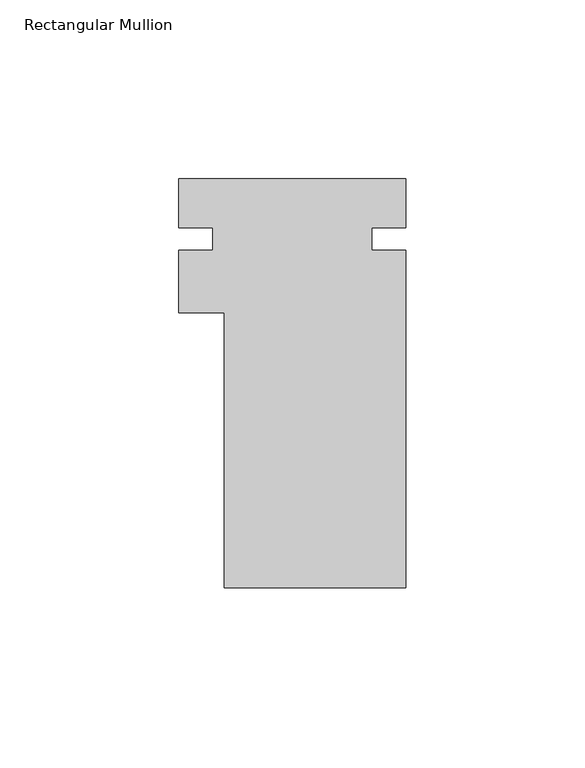
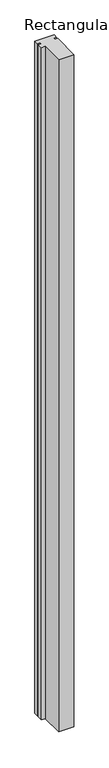
"""IFC4 building model written with IfcOpenShell, lengths in millimetres: member geometry, Rectangular Mullion."""

from ifc_helpers import new_model, si_unit, frame, origin, place, context, project, spatial, polyline, outline, extrude, source, transform, mapped, element, save


def rectangular_mullion_bd302154(model_context):
    return source(origin(), model_context, "Body", "SweptSolid", [
        extrude(outline(polyline([(25.4, -39.773225), (-25.4, -39.773225), (-25.4, 37.061775), (-38.0999959, 37.061775), (-38.0999959, 54.524275), (-28.5749959, 54.524275), (-28.5749959, 60.874275), (-38.0999959, 60.874275), (-38.0999959, 74.526775), (25.4, 74.526775), (25.4, 60.874275), (15.875, 60.874275), (15.875, 54.524275), (25.4, 54.524275), (25.4, -39.773225)])), frame((0.0, 0.0, -2359.1444043), z_axis=(0.0, 0.0, 1.0), x_axis=(1.0, 0.0, 0.0)), (0.0, 0.0, 1.0), 2359.1444043),
    ])


if __name__ == "__main__":
    model = new_model("IFC4")
    model_context = context("Model", 3, world=origin())
    ifc_project = project(units=[si_unit("LENGTHUNIT", "METRE", prefix="MILLI")], contexts=[model_context])
    site = spatial("IfcSite", under=ifc_project)
    building = spatial("IfcBuilding", under=site)
    placement = place(None, origin())
    rectangular_mullion_shape = rectangular_mullion_bd302154(model_context)
    element("IfcMember", 1, ObjectType="Rectangular Mullion", at=placement, inside=building, context=model_context, shape_type="MappedRepresentation", body=[
        mapped(rectangular_mullion_shape, transform((0.0, 0.0, 0.0), x_axis=(1.0, 0.0, 0.0), y_axis=(0.0, 1.0, 0.0), z_axis=(0.0, 0.0, 1.0))),
    ])
    save(model, "model.ifc")
